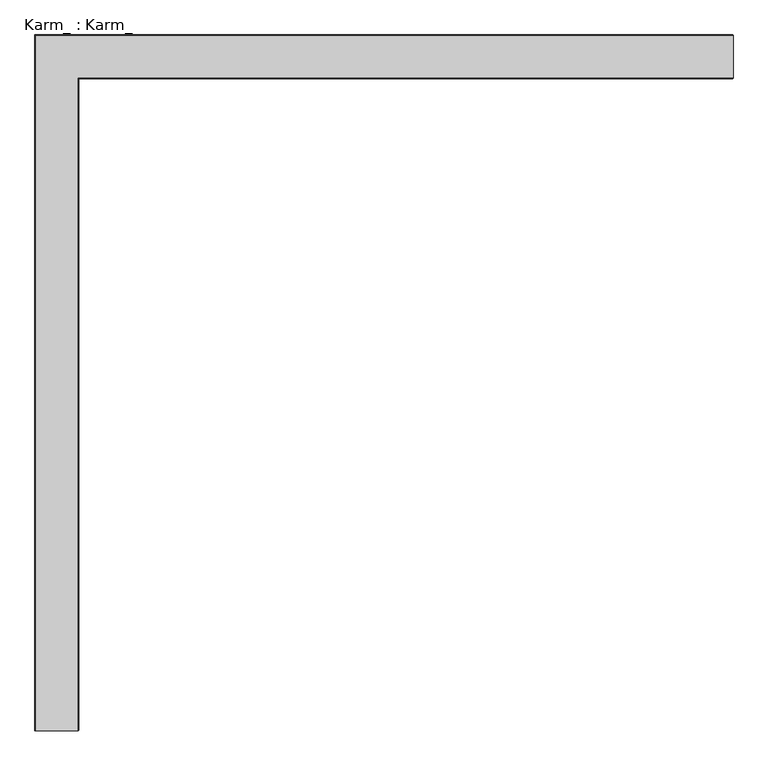
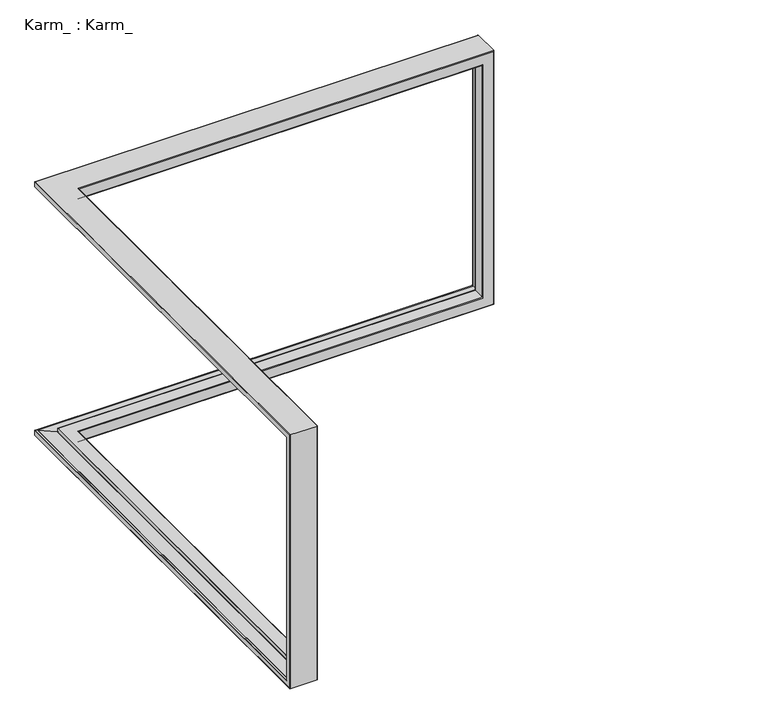
"""IFC4 building model written with IfcOpenShell, lengths in millimetres: proxy geometry, Karm_ : Karm_."""

from ifc_helpers import new_model, si_unit, frame, origin, place, context, project, spatial, polyline, ellipse_curve, source, transform, mapped, element, save
from ifc_brep_helpers import plane_surface, cylinder_surface, revolved_surface, advanced_brep


def karm_karm_7dcc2a93(model_context):
    return source(origin(), model_context, "Body", "AdvancedBrep", [
        advanced_brep(
        [(1894.2448836, -63.0, 562.9312876), (1894.2448836, -63.0, 1641.9312876), (63.0, -63.0, 1641.9312876), (63.0, -63.0, 1657.0811608), (1909.3947569, -63.0, 1657.0811608), (1909.3947569, -63.0, 547.7814143), (63.0, -63.0, 547.7814143), (63.0, -63.0, 562.9312876), (1910.8835761, -61.682804, 546.2925951), (61.682804, -61.682804, 546.2925951), (1917.5306324, -7.546875, 539.6455388), (7.546875, -7.546875, 539.6455388), (1917.5306324, -7.546875, 1665.2170363), (7.546875, -7.546875, 1665.2170363), (7.546875, -7.546875, 1666.0312876), (1918.3448836, -7.546875, 1666.0312876), (1918.3448836, -7.546875, 538.8312876), (7.546875, -7.546875, 538.8312876), (1918.3448836, -1.0, 538.8312876), (1.0, -1.0, 538.8312876), (1.0, -1912.2411871, 538.8312876), (7.546875, -1912.2411871, 538.8312876), (1919.3448836, 0.0, 537.8312876), (0.0, 0.0, 537.8312876), (1919.3448836, 0.0, 1667.0312876), (0.0, 0.0, 1667.0312876), (0.0, 0.0, 1689.4312876), (1941.7448836, 0.0, 1689.4312876), (1941.7448836, 0.0, 515.4312876), (0.0, 0.0, 515.4312876), (1942.7448836, -1.0, 514.4312876), (1.0, -1.0, 514.4312876), (1942.7448836, -119.0, 514.4312876), (119.0, -119.0, 514.4312876), (119.0, -1936.6411871, 514.4312876), (1.0, -1936.6411871, 514.4312876), (1939.7448836, -122.0, 517.4312876), (122.0, -122.0, 517.4312876), (1939.7448836, -122.0, 1687.4312876), (122.0, -122.0, 1687.4312876), (122.0, -122.0, 1643.4312876), (1895.7448836, -122.0, 1643.4312876), (1895.7448836, -122.0, 561.4312876), (122.0, -122.0, 561.4312876), (1892.7448836, -119.0, 564.4312876), (119.0, -119.0, 564.4312876), (1910.8835761, -61.682804, 1658.5699801), (1918.3448836, -1.0, 1666.0312876), (1942.7448836, -1.0, 1690.4312876), (1942.7448836, -119.0, 1690.4312876), (1892.7448836, -119.0, 1640.4312876), (61.682804, -61.682804, 1658.5699801), (7.546875, -1912.2411871, 1666.0312876), (1.0, -1912.2411871, 1666.0312876), (1.0, -1.0, 1666.0312876), (1.0, -1.0, 1690.4312876), (1.0, -1936.6411871, 1690.4312876), (119.0, -1936.6411871, 1690.4312876), (119.0, -119.0, 1690.4312876), (119.0, -119.0, 1640.4312876), (63.0, -1903.2910604, 547.7814143), (63.0, -1903.2910604, 1657.0811608), (63.0, -1888.1411871, 1641.9312876), (63.0, -1888.1411871, 562.9312876), (61.682804, -1904.7798796, 546.2925951), (7.546875, -1911.4269359, 539.6455388), (7.546875, -1911.4269359, 1665.2170363), (0.0, -1913.2411871, 537.8312876), (0.0, -1935.6411871, 515.4312876), (0.0, -1935.6411871, 1689.4312876), (0.0, -1913.2411871, 1667.0312876), (122.0, -1933.6411871, 517.4312876), (122.0, -1889.6411871, 561.4312876), (122.0, -1889.6411871, 1643.4312876), (122.0, -1933.6411871, 1687.4312876), (119.0, -1886.6411871, 564.4312876), (61.682804, -1904.7798796, 1658.5699801), (119.0, -1886.6411871, 1640.4312876), (1892.7448836, -64.5, 564.4312876), (64.5, -64.5, 564.4312876), (64.5, -1886.6411871, 564.4312876), (1892.7448836, -64.5, 1640.4312876), (64.5, -1886.6411871, 1640.4312876), (64.5, -64.5, 1640.4312876)],
        [
            (0, 1),
            (1, 2),
            (2, 3),
            (3, 4),
            (4, 5),
            (5, 6),
            (6, 7),
            (7, 0),
            (5, 8, ellipse_curve(frame((1909.3947569, -61.5, 547.7814143), z_axis=(0.7071067811865475, 0.0, 0.7071067811865475), x_axis=(0.7071067811865476, 0.0, -0.7071067811865474)), 2.1213203, 1.5)),
            (8, 9),
            (9, 6, ellipse_curve(frame((61.5, -61.5, 547.7814143), z_axis=(-0.7071067811865492, -0.7071067811865458, 0.0), x_axis=(0.7071067811865458, -0.7071067811865492, 0.0)), 2.1213203, 1.5)),
            (8, 10),
            (10, 11),
            (11, 9),
            (10, 12),
            (12, 13),
            (13, 14),
            (14, 15),
            (15, 16),
            (16, 17),
            (17, 11),
            (16, 18),
            (18, 19),
            (19, 20),
            (20, 21),
            (21, 17),
            (18, 22, ellipse_curve(frame((1919.3448836, -1.0, 537.8312876), z_axis=(-0.7071067811865475, 0.0, -0.7071067811865475), x_axis=(-0.7071067811865476, 0.0, 0.7071067811865474)), 1.4142136, 1.0)),
            (22, 23),
            (23, 19, ellipse_curve(frame((1.0, -1.0, 537.8312876), z_axis=(0.7071067811865492, 0.7071067811865458, 0.0), x_axis=(-0.7071067811865458, 0.7071067811865492, 0.0)), 1.4142136, 1.0)),
            (22, 24),
            (24, 25),
            (25, 26),
            (26, 27),
            (27, 28),
            (28, 29),
            (29, 23),
            (28, 30, ellipse_curve(frame((1941.7448836, -1.0, 515.4312876), z_axis=(-0.7071067811865475, 0.0, -0.7071067811865475), x_axis=(-0.7071067811865476, 0.0, 0.7071067811865474)), 1.4142136, 1.0)),
            (30, 31),
            (31, 29, ellipse_curve(frame((1.0, -1.0, 515.4312876), z_axis=(0.7071067811865492, 0.7071067811865458, 0.0), x_axis=(-0.7071067811865458, 0.7071067811865492, 0.0)), 1.4142136, 1.0)),
            (30, 32),
            (32, 33),
            (33, 34),
            (34, 35),
            (35, 31),
            (32, 36, ellipse_curve(frame((1939.7448836, -119.0, 517.4312876), z_axis=(-0.7071067811865475, 0.0, -0.7071067811865475), x_axis=(-0.7071067811865476, 0.0, 0.7071067811865474)), 4.2426407, 3.0)),
            (36, 37),
            (37, 33, ellipse_curve(frame((119.0, -119.0, 517.4312876), z_axis=(0.7071067811865492, 0.7071067811865458, 0.0), x_axis=(-0.7071067811865458, 0.7071067811865492, 0.0)), 4.2426407, 3.0)),
            (36, 38),
            (38, 39),
            (39, 40),
            (40, 41),
            (41, 42),
            (42, 43),
            (43, 37),
            (42, 44, ellipse_curve(frame((1895.7448836, -119.0, 561.4312876), z_axis=(-0.7071067811865475, 0.0, -0.7071067811865475), x_axis=(-0.7071067811865476, 0.0, 0.7071067811865474)), 4.2426407, 3.0)),
            (44, 45),
            (45, 43, ellipse_curve(frame((119.0, -119.0, 561.4312876), z_axis=(0.7071067811865492, 0.7071067811865458, 0.0), x_axis=(-0.7071067811865458, 0.7071067811865492, 0.0)), 4.2426407, 3.0)),
            (4, 46, ellipse_curve(frame((1909.3947569, -61.5, 1657.0811608), z_axis=(-0.7071067811865475, 0.0, 0.7071067811865475), x_axis=(0.7071067811865474, 0.0, 0.7071067811865476)), 2.1213203, 1.5)),
            (46, 8),
            (46, 12),
            (15, 47),
            (47, 18),
            (47, 24, ellipse_curve(frame((1919.3448836, -1.0, 1667.0312876), z_axis=(0.7071067811865475, 0.0, -0.7071067811865475), x_axis=(-0.7071067811865474, 0.0, -0.7071067811865476)), 1.4142136, 1.0)),
            (27, 48, ellipse_curve(frame((1941.7448836, -1.0, 1689.4312876), z_axis=(0.7071067811865475, 0.0, -0.7071067811865475), x_axis=(-0.7071067811865474, 0.0, -0.7071067811865476)), 1.4142136, 1.0)),
            (48, 30),
            (48, 49),
            (49, 32),
            (49, 38, ellipse_curve(frame((1939.7448836, -119.0, 1687.4312876), z_axis=(0.7071067811865475, 0.0, -0.7071067811865475), x_axis=(-0.7071067811865474, 0.0, -0.7071067811865476)), 4.2426407, 3.0)),
            (41, 50, ellipse_curve(frame((1895.7448836, -119.0, 1643.4312876), z_axis=(0.7071067811865475, 0.0, -0.7071067811865475), x_axis=(-0.7071067811865474, 0.0, -0.7071067811865476)), 4.2426407, 3.0)),
            (50, 44),
            (3, 51, ellipse_curve(frame((61.5, -61.5, 1657.0811608), z_axis=(-0.7071067811865492, -0.7071067811865458, 0.0), x_axis=(-0.7071067811865458, 0.7071067811865492, 0.0)), 2.1213203, 1.5)),
            (51, 46),
            (51, 13),
            (14, 52),
            (52, 53),
            (53, 54),
            (54, 47),
            (54, 25, ellipse_curve(frame((1.0, -1.0, 1667.0312876), z_axis=(0.7071067811865492, 0.7071067811865458, 0.0), x_axis=(0.7071067811865458, -0.7071067811865492, 0.0)), 1.4142136, 1.0)),
            (26, 55, ellipse_curve(frame((1.0, -1.0, 1689.4312876), z_axis=(0.7071067811865492, 0.7071067811865458, 0.0), x_axis=(0.7071067811865458, -0.7071067811865492, 0.0)), 1.4142136, 1.0)),
            (55, 48),
            (55, 56),
            (56, 57),
            (57, 58),
            (58, 49),
            (58, 39, ellipse_curve(frame((119.0, -119.0, 1687.4312876), z_axis=(0.7071067811865492, 0.7071067811865458, 0.0), x_axis=(0.7071067811865458, -0.7071067811865492, 0.0)), 4.2426407, 3.0)),
            (40, 59, ellipse_curve(frame((119.0, -119.0, 1643.4312876), z_axis=(0.7071067811865492, 0.7071067811865458, 0.0), x_axis=(0.7071067811865458, -0.7071067811865492, 0.0)), 4.2426407, 3.0)),
            (59, 50),
            (60, 61),
            (61, 3),
            (2, 62),
            (62, 63),
            (63, 7),
            (6, 60),
            (64, 60, ellipse_curve(frame((61.5, -1903.2910604, 547.7814143), z_axis=(0.0, -0.7071067811865475, 0.7071067811865475), x_axis=(0.0, -0.7071067811865476, -0.7071067811865474)), 2.1213203, 1.5)),
            (9, 64),
            (65, 64),
            (11, 65),
            (21, 52),
            (13, 66),
            (66, 65),
            (23, 67),
            (67, 20, ellipse_curve(frame((1.0, -1913.2411871, 537.8312876), z_axis=(0.0, 0.7071067811865475, -0.7071067811865475), x_axis=(0.0, 0.7071067811865476, 0.7071067811865474)), 1.4142136, 1.0)),
            (29, 68),
            (68, 69),
            (69, 26),
            (25, 70),
            (70, 67),
            (35, 68, ellipse_curve(frame((1.0, -1935.6411871, 515.4312876), z_axis=(0.0, 0.7071067811865475, -0.7071067811865475), x_axis=(0.0, 0.7071067811865476, 0.7071067811865474)), 1.4142136, 1.0)),
            (71, 34, ellipse_curve(frame((119.0, -1933.6411871, 517.4312876), z_axis=(0.0, 0.7071067811865475, -0.7071067811865475), x_axis=(0.0, 0.7071067811865476, 0.7071067811865474)), 4.2426407, 3.0)),
            (37, 71),
            (72, 73),
            (73, 40),
            (39, 74),
            (74, 71),
            (43, 72),
            (75, 72, ellipse_curve(frame((119.0, -1889.6411871, 561.4312876), z_axis=(0.0, 0.7071067811865475, -0.7071067811865475), x_axis=(0.0, 0.7071067811865476, 0.7071067811865474)), 4.2426407, 3.0)),
            (45, 75),
            (64, 76),
            (76, 61, ellipse_curve(frame((61.5, -1903.2910604, 1657.0811608), z_axis=(0.0, 0.7071067811865475, 0.7071067811865475), x_axis=(0.0, -0.7071067811865474, 0.7071067811865476)), 2.1213203, 1.5)),
            (66, 76),
            (20, 53),
            (70, 53, ellipse_curve(frame((1.0, -1913.2411871, 1667.0312876), z_axis=(0.0, -0.7071067811865475, -0.7071067811865475), x_axis=(0.0, 0.7071067811865474, -0.7071067811865476)), 1.4142136, 1.0)),
            (35, 56),
            (56, 69, ellipse_curve(frame((1.0, -1935.6411871, 1689.4312876), z_axis=(0.0, -0.7071067811865475, -0.7071067811865475), x_axis=(0.0, 0.7071067811865474, -0.7071067811865476)), 1.4142136, 1.0)),
            (34, 57),
            (74, 57, ellipse_curve(frame((119.0, -1933.6411871, 1687.4312876), z_axis=(0.0, -0.7071067811865475, -0.7071067811865475), x_axis=(0.0, 0.7071067811865474, -0.7071067811865476)), 4.2426407, 3.0)),
            (75, 77),
            (77, 73, ellipse_curve(frame((119.0, -1889.6411871, 1643.4312876), z_axis=(0.0, -0.7071067811865475, -0.7071067811865475), x_axis=(0.0, 0.7071067811865474, -0.7071067811865476)), 4.2426407, 3.0)),
            (76, 51),
            (77, 59),
            (44, 78),
            (78, 79),
            (79, 80),
            (80, 75),
            (50, 81),
            (81, 78),
            (77, 82),
            (82, 83),
            (83, 81),
            (80, 82),
            (78, 0, ellipse_curve(frame((1894.2448836, -64.5, 562.9312876), z_axis=(-0.7071067811865475, 0.0, -0.7071067811865475), x_axis=(-0.7071067811865476, 0.0, 0.7071067811865474)), 2.1213203, 1.5)),
            (7, 79, ellipse_curve(frame((64.5, -64.5, 562.9312876), z_axis=(0.7071067811865492, 0.7071067811865458, 0.0), x_axis=(-0.7071067811865458, 0.7071067811865492, 0.0)), 2.1213203, 1.5)),
            (81, 1, ellipse_curve(frame((1894.2448836, -64.5, 1641.9312876), z_axis=(0.7071067811865475, 0.0, -0.7071067811865475), x_axis=(-0.7071067811865474, 0.0, -0.7071067811865476)), 2.1213203, 1.5)),
            (83, 2, ellipse_curve(frame((64.5, -64.5, 1641.9312876), z_axis=(0.7071067811865492, 0.7071067811865458, 0.0), x_axis=(0.7071067811865458, -0.7071067811865492, 0.0)), 2.1213203, 1.5)),
            (63, 80, ellipse_curve(frame((64.5, -1888.1411871, 562.9312876), z_axis=(0.0, 0.7071067811865475, -0.7071067811865475), x_axis=(0.0, 0.7071067811865476, 0.7071067811865474)), 2.1213203, 1.5)),
            (62, 82, ellipse_curve(frame((64.5, -1888.1411871, 1641.9312876), z_axis=(0.0, -0.7071067811865475, -0.7071067811865475), x_axis=(0.0, 0.7071067811865474, -0.7071067811865476)), 2.1213203, 1.5)),
        ],
        [
            plane_surface(frame((0.0, -63.0, 562.9312876), z_axis=(0.0, 1.0, 0.0), x_axis=(1.0, 0.0, 0.0))),
            revolved_surface(polyline([(1910.8947568691985, -60.0, 547.7814143), (60.000000030801324, -60.0, 547.7814143)]), (0.0, -61.5, 547.7814143), (1.0, 0.0, 0.0)),
            plane_surface(frame((0.0, -61.682804, 546.2925951), z_axis=(0.0, 0.12186934340506637, 0.9925461516413321), x_axis=(1.0, 0.0, 0.0))),
            plane_surface(frame((0.0, -7.546875, 539.6455388), z_axis=(0.0, 1.0, 0.0), x_axis=(1.0, 0.0, 0.0))),
            plane_surface(frame((0.0, -7.546875, 538.8312876), z_axis=(0.0, 0.0, 1.0), x_axis=(1.0, 0.0, 0.0))),
            cylinder_surface(frame((0.0, -1.0, 537.8312876), z_axis=(-1.0, 0.0, 0.0), x_axis=(0.0, 1.0, 0.0)), 1.0),
            plane_surface(frame((0.0, 0.0, 537.8312876), z_axis=(0.0, 1.0, 0.0), x_axis=(1.0, 0.0, 0.0))),
            cylinder_surface(frame((0.0, -1.0, 515.4312876), z_axis=(-1.0, 0.0, 0.0), x_axis=(0.0, 1.0, 0.0)), 1.0),
            plane_surface(frame((0.0, -1.0, 514.4312876), z_axis=(0.0, 0.0, -1.0), x_axis=(1.0, 0.0, 0.0))),
            cylinder_surface(frame((0.0, -119.0, 517.4312876), z_axis=(-1.0, 0.0, 0.0), x_axis=(0.0, 1.0, 0.0)), 3.0),
            plane_surface(frame((0.0, -122.0, 517.4312876), z_axis=(0.0, -1.0, 0.0), x_axis=(1.0, 0.0, 0.0))),
            cylinder_surface(frame((0.0, -119.0, 561.4312876), z_axis=(-1.0, 0.0, 0.0), x_axis=(0.0, 1.0, 0.0)), 3.0),
            revolved_surface(polyline([(1909.3947569, -60.0, 1658.5811607691985), (1909.3947569, -60.0, 546.2814143308013)]), (1909.3947569, -61.5, 502.4312876), (0.0, 0.0, 1.0)),
            plane_surface(frame((1910.8835761, -61.682804, 546.2925951), z_axis=(-0.9925461516413321, 0.12186934340506637, 0.0), x_axis=(0.0, 0.0, 1.0))),
            plane_surface(frame((1918.3448836, -7.546875, 538.8312876), z_axis=(-1.0, 0.0, 0.0), x_axis=(0.0, 0.0, 1.0))),
            cylinder_surface(frame((1919.3448836, -1.0, 502.4312876), z_axis=(0.0, 0.0, -1.0), x_axis=(0.0, 1.0, 0.0)), 1.0),
            cylinder_surface(frame((1941.7448836, -1.0, 502.4312876), z_axis=(0.0, 0.0, -1.0), x_axis=(0.0, 1.0, 0.0)), 1.0),
            plane_surface(frame((1942.7448836, -1.0, 514.4312876), z_axis=(1.0, 0.0, 0.0), x_axis=(0.0, 0.0, 1.0))),
            cylinder_surface(frame((1939.7448836, -119.0, 502.4312876), z_axis=(0.0, 0.0, -1.0), x_axis=(0.0, 1.0, 0.0)), 3.0),
            cylinder_surface(frame((1895.7448836, -119.0, 502.4312876), z_axis=(0.0, 0.0, -1.0), x_axis=(0.0, 1.0, 0.0)), 3.0),
            revolved_surface(polyline([(60.0000000308014, -60.0, 1657.0811608), (1910.8947568691985, -60.0, 1657.0811608)]), (1954.7448836, -61.5, 1657.0811608), (-1.0, 0.0, 0.0)),
            plane_surface(frame((1910.8835761, -61.682804, 1658.5699801), z_axis=(0.0, 0.12186934340506637, -0.9925461516413321), x_axis=(-1.0, 0.0, 0.0))),
            plane_surface(frame((1918.3448836, -7.546875, 1666.0312876), z_axis=(0.0, 0.0, -1.0), x_axis=(-1.0, 0.0, 0.0))),
            cylinder_surface(frame((1954.7448836, -1.0, 1667.0312876), z_axis=(1.0, 0.0, 0.0), x_axis=(0.0, 1.0, 0.0)), 1.0),
            cylinder_surface(frame((1954.7448836, -1.0, 1689.4312876), z_axis=(1.0, 0.0, 0.0), x_axis=(0.0, 1.0, 0.0)), 1.0),
            plane_surface(frame((1942.7448836, -1.0, 1690.4312876), z_axis=(0.0, 0.0, 1.0), x_axis=(-1.0, 0.0, 0.0))),
            cylinder_surface(frame((1954.7448836, -119.0, 1687.4312876), z_axis=(1.0, 0.0, 0.0), x_axis=(0.0, 1.0, 0.0)), 3.0),
            cylinder_surface(frame((1954.7448836, -119.0, 1643.4312876), z_axis=(1.0, 0.0, 0.0), x_axis=(0.0, 1.0, 0.0)), 3.0),
            plane_surface(frame((63.0, 0.0, 547.7814143), z_axis=(-1.0, 0.0, 0.0), x_axis=(0.0, -1.0, 0.0))),
            revolved_surface(polyline([(63.0, -1904.7910603691987, 547.7814143), (63.0, -60.00000003080132, 547.7814143)]), (61.5, 0.0, 547.7814143), (0.0, -1.0, 0.0)),
            plane_surface(frame((7.546875, 0.0, 539.6455388), z_axis=(-0.12186934340512647, 0.0, 0.9925461516413246), x_axis=(0.0, -1.0, 0.0))),
            plane_surface(frame((7.546875, 0.0, 538.8312876), z_axis=(-1.0, 0.0, 0.0), x_axis=(0.0, -1.0, 0.0))),
            cylinder_surface(frame((1.0, 0.0, 537.8312876), z_axis=(0.0, 1.0, 0.0), x_axis=(1.0, 0.0, 0.0)), 1.0),
            plane_surface(frame((0.0, 0.0, 515.4312876), z_axis=(-1.0, 0.0, 0.0), x_axis=(0.0, -1.0, 0.0))),
            cylinder_surface(frame((1.0, 0.0, 515.4312876), z_axis=(0.0, 1.0, 0.0), x_axis=(1.0, 0.0, 0.0)), 1.0),
            cylinder_surface(frame((119.0, 0.0, 517.4312876), z_axis=(0.0, 1.0, 0.0), x_axis=(1.0, 0.0, 0.0)), 3.0),
            plane_surface(frame((122.0, 0.0, 561.4312876), z_axis=(1.0, 0.0, 0.0), x_axis=(0.0, -1.0, 0.0))),
            cylinder_surface(frame((119.0, 0.0, 561.4312876), z_axis=(0.0, 1.0, 0.0), x_axis=(1.0, 0.0, 0.0)), 3.0),
            revolved_surface(polyline([(63.0, -1903.2910604, 1658.5811607691985), (63.0, -1903.2910604, 546.2814143308013)]), (61.5, -1903.2910604, 502.4312876), (0.0, 0.0, 1.0)),
            plane_surface(frame((7.546875, -1911.4269359, 539.6455388), z_axis=(-0.12186934340512162, 0.9925461516413252, 0.0), x_axis=(0.0, 0.0, 1.0))),
            plane_surface(frame((1.0, -1912.2411871, 538.8312876), z_axis=(0.0, 1.0, 0.0), x_axis=(0.0, 0.0, 1.0))),
            cylinder_surface(frame((1.0, -1913.2411871, 502.4312876), z_axis=(0.0, 0.0, -1.0), x_axis=(1.0, 0.0, 0.0)), 1.0),
            cylinder_surface(frame((1.0, -1935.6411871, 502.4312876), z_axis=(0.0, 0.0, -1.0), x_axis=(1.0, 0.0, 0.0)), 1.0),
            plane_surface(frame((119.0, -1936.6411871, 514.4312876), z_axis=(0.0, -1.0, 0.0), x_axis=(0.0, 0.0, 1.0))),
            cylinder_surface(frame((119.0, -1933.6411871, 502.4312876), z_axis=(0.0, 0.0, -1.0), x_axis=(1.0, 0.0, 0.0)), 3.0),
            cylinder_surface(frame((119.0, -1889.6411871, 502.4312876), z_axis=(0.0, 0.0, -1.0), x_axis=(1.0, 0.0, 0.0)), 3.0),
            revolved_surface(polyline([(63.0, -60.0000000308014, 1657.0811608), (63.0, -1904.7910603691987, 1657.0811608)]), (61.5, -1948.6411871, 1657.0811608), (0.0, 1.0, 0.0)),
            plane_surface(frame((7.546875, -1911.4269359, 1665.2170363), z_axis=(-0.12186934340512647, 0.0, -0.9925461516413246), x_axis=(0.0, 1.0, 0.0))),
            cylinder_surface(frame((1.0, -1948.6411871, 1667.0312876), z_axis=(0.0, -1.0, 0.0), x_axis=(1.0, 0.0, 0.0)), 1.0),
            cylinder_surface(frame((1.0, -1948.6411871, 1689.4312876), z_axis=(0.0, -1.0, 0.0), x_axis=(1.0, 0.0, 0.0)), 1.0),
            cylinder_surface(frame((119.0, -1948.6411871, 1687.4312876), z_axis=(0.0, -1.0, 0.0), x_axis=(1.0, 0.0, 0.0)), 3.0),
            cylinder_surface(frame((119.0, -1948.6411871, 1643.4312876), z_axis=(0.0, -1.0, 0.0), x_axis=(1.0, 0.0, 0.0)), 3.0),
            plane_surface(frame((0.0, -119.0, 564.4312876), z_axis=(0.0, 0.0, 1.0), x_axis=(1.0, 0.0, 0.0))),
            plane_surface(frame((1892.7448836, -119.0, 564.4312876), z_axis=(-1.0, 0.0, 0.0), x_axis=(0.0, 0.0, 1.0))),
            plane_surface(frame((1892.7448836, -119.0, 1640.4312876), z_axis=(0.0, 0.0, -1.0), x_axis=(-1.0, 0.0, 0.0))),
            plane_surface(frame((64.5, -1886.6411871, 564.4312876), z_axis=(0.0, 1.0, 0.0), x_axis=(0.0, 0.0, 1.0))),
            cylinder_surface(frame((0.0, -64.5, 562.9312876), z_axis=(-1.0, 0.0, 0.0), x_axis=(0.0, 1.0, 0.0)), 1.5),
            cylinder_surface(frame((1894.2448836, -64.5, 502.4312876), z_axis=(0.0, 0.0, -1.0), x_axis=(0.0, 1.0, 0.0)), 1.5),
            cylinder_surface(frame((1954.7448836, -64.5, 1641.9312876), z_axis=(1.0, 0.0, 0.0), x_axis=(0.0, 1.0, 0.0)), 1.5),
            cylinder_surface(frame((64.5, 0.0, 562.9312876), z_axis=(0.0, 1.0, 0.0), x_axis=(1.0, 0.0, 0.0)), 1.5),
            cylinder_surface(frame((64.5, -1888.1411871, 502.4312876), z_axis=(0.0, 0.0, -1.0), x_axis=(1.0, 0.0, 0.0)), 1.5),
            cylinder_surface(frame((64.5, -1948.6411871, 1641.9312876), z_axis=(0.0, -1.0, 0.0), x_axis=(1.0, 0.0, 0.0)), 1.5),
        ],
        [
            (0, [[1, 2, 3, 4, 5, 6, 7, 8]]),
            (1, [[9, 10, 11, -6]]),
            (2, [[12, 13, 14, -10]]),
            (3, [[15, 16, 17, 18, 19, 20, 21, -13]]),
            (4, [[22, 23, 24, 25, 26, -20]]),
            (5, [[27, 28, 29, -23]]),
            (6, [[-28, 30, 31, 32, 33, 34, 35, 36]]),
            (7, [[-35, 37, 38, 39]]),
            (8, [[40, 41, 42, 43, 44, -38]]),
            (9, [[45, 46, 47, -41]]),
            (10, [[48, 49, 50, 51, 52, 53, 54, -46]]),
            (11, [[55, 56, 57, -53]]),
            (12, [[-5, 58, 59, -9]]),
            (13, [[-12, -59, 60, -15]]),
            (14, [[-19, 61, 62, -22]]),
            (15, [[-27, -62, 63, -30]]),
            (16, [[-34, 64, 65, -37]]),
            (17, [[-40, -65, 66, 67]]),
            (18, [[-45, -67, 68, -48]]),
            (19, [[-52, 69, 70, -55]]),
            (20, [[-58, -4, 71, 72]]),
            (21, [[-60, -72, 73, -16]]),
            (22, [[-61, -18, 74, 75, 76, 77]]),
            (23, [[-31, -63, -77, 78]]),
            (24, [[-33, 79, 80, -64]]),
            (25, [[-66, -80, 81, 82, 83, 84]]),
            (26, [[-68, -84, 85, -49]]),
            (27, [[-69, -51, 86, 87]]),
            (28, [[88, 89, -3, 90, 91, 92, -7, 93]]),
            (29, [[94, -93, -11, 95]]),
            (30, [[96, -95, -14, 97]]),
            (31, [[98, -74, -17, 99, 100, -97, -21, -26]]),
            (32, [[101, 102, -24, -29]]),
            (33, [[-101, -36, 103, 104, 105, -32, 106, 107]]),
            (34, [[-103, -39, -44, 108]]),
            (35, [[109, -42, -47, 110]]),
            (36, [[111, 112, -50, 113, 114, -110, -54, 115]]),
            (37, [[116, -115, -57, 117]]),
            (38, [[-88, -94, 118, 119]]),
            (39, [[-96, -100, 120, -118]]),
            (40, [[-98, -25, 121, -75]]),
            (41, [[-102, -107, 122, -121]]),
            (42, [[-104, -108, 123, 124]]),
            (43, [[-43, 125, -82, -123]]),
            (44, [[-109, -114, 126, -125]]),
            (45, [[-111, -116, 127, 128]]),
            (46, [[-119, 129, -71, -89]]),
            (47, [[-120, -99, -73, -129]]),
            (48, [[-106, -78, -76, -122]]),
            (49, [[-105, -124, -81, -79]]),
            (50, [[-126, -113, -85, -83]]),
            (51, [[-128, 130, -86, -112]]),
            (52, [[131, 132, 133, 134, -117, -56]]),
            (53, [[-70, 135, 136, -131]]),
            (54, [[-135, -87, -130, 137, 138, 139]]),
            (55, [[-127, -134, 140, -137]]),
            (56, [[141, -8, 142, -132]]),
            (57, [[-1, -141, -136, 143]]),
            (58, [[-143, -139, 144, -2]]),
            (59, [[145, -133, -142, -92]]),
            (60, [[-91, 146, -140, -145]]),
            (61, [[-146, -90, -144, -138]]),
        ],
    ),
    ])


if __name__ == "__main__":
    model = new_model("IFC4")
    model_context = context("Model", 3, world=origin())
    ifc_project = project(units=[si_unit("LENGTHUNIT", "METRE", prefix="MILLI")], contexts=[model_context])
    site = spatial("IfcSite", under=ifc_project)
    building = spatial("IfcBuilding", under=site)
    placement = place(None, origin())
    karm_karm_shape = karm_karm_7dcc2a93(model_context)
    element("IfcBuildingElementProxy", 1, Name="Karm_ : Karm_", ObjectType="Karm_ : Karm_", at=placement, inside=building, context=model_context, shape_type="MappedRepresentation", body=[
        mapped(karm_karm_shape, transform((0.0, 0.0, 0.0), x_axis=(1.0, 0.0, 0.0), y_axis=(0.0, 1.0, 0.0), z_axis=(0.0, 0.0, 1.0))),
    ])
    save(model, "model.ifc")
